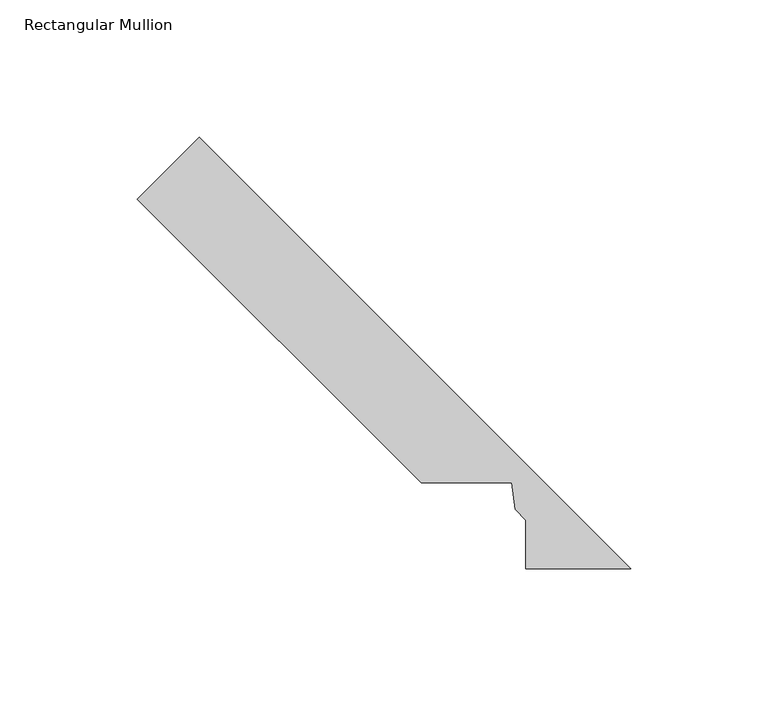
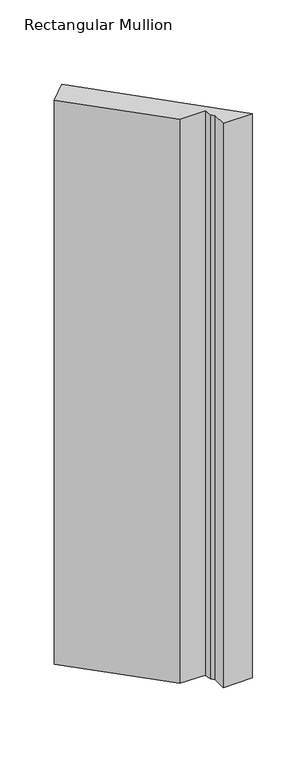
"""IFC4 building model written with IfcOpenShell, lengths in millimetres: member geometry, Rectangular Mullion."""

from ifc_helpers import new_model, si_unit, frame, origin, place, context, project, spatial, polyline, outline, extrude, source, transform, mapped, element, save


def rectangular_mullion_8757de76(model_context):
    return source(origin(), model_context, "Body", "SweptSolid", [
        extrude(outline(polyline([(-199.5040807, 154.6028001), (-177.0534404, 177.0534404), (-20.0421875, 20.0421875), (-58.1270024, 20.0421875), (-58.1270024, 37.7054024), (-62.0986242, 41.6770242), (-63.276004, 51.3118941), (-96.2131748, 51.3118941), (-199.5040807, 154.6028001)])), frame((0.0, 0.0, -774.7), z_axis=(0.0, 0.0, 1.0), x_axis=(1.0, 0.0, 0.0)), (0.0, 0.0, 1.0), 774.7),
    ])


if __name__ == "__main__":
    model = new_model("IFC4")
    model_context = context("Model", 3, world=origin())
    ifc_project = project(units=[si_unit("LENGTHUNIT", "METRE", prefix="MILLI")], contexts=[model_context])
    site = spatial("IfcSite", under=ifc_project)
    building = spatial("IfcBuilding", under=site)
    placement = place(None, origin())
    rectangular_mullion_shape = rectangular_mullion_8757de76(model_context)
    element("IfcMember", 1, ObjectType="Rectangular Mullion", at=placement, inside=building, context=model_context, shape_type="MappedRepresentation", body=[
        mapped(rectangular_mullion_shape, transform((0.0, 0.0, 0.0), x_axis=(1.0, 0.0, 0.0), y_axis=(0.0, 1.0, 0.0), z_axis=(0.0, 0.0, 1.0))),
    ])
    save(model, "model.ifc")
